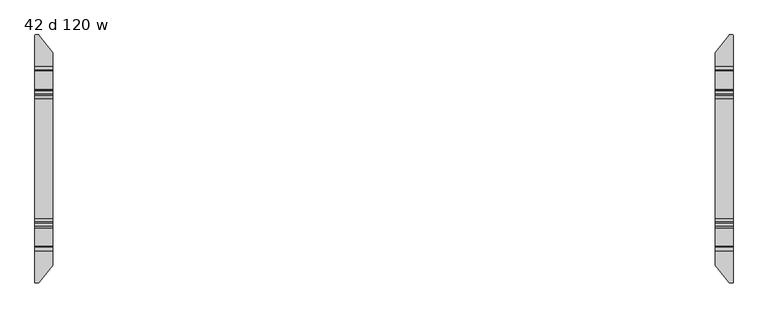
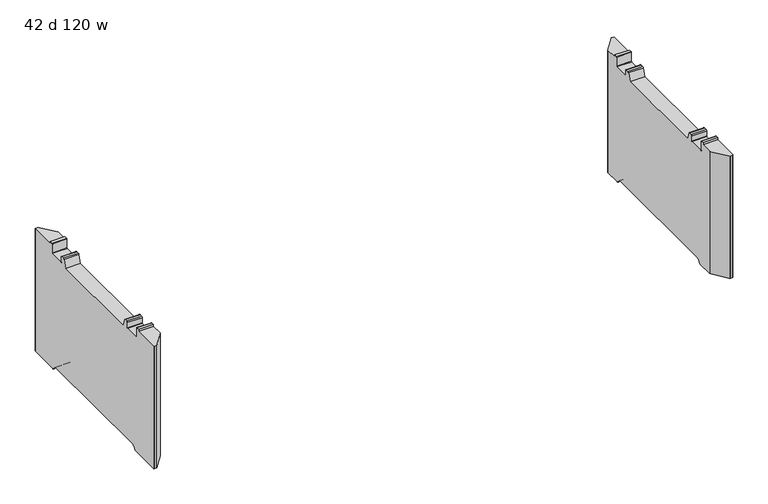
"""IFC4 building model written with IfcOpenShell, lengths in millimetres: furniture geometry, 42 d 120 w."""

import ifcopenshell
import ifcopenshell.guid

model = None  # the IFC model being written
_history = None  # IfcOwnerHistory: only IFC2X3 demands one
_inside = {}  # id of a spatial element -> (the spatial element, [elements in it])
_under = {}  # id of a project, library or spatial element -> (it, [spatial elements below it])
_declared = {}  # id of a project -> (the project, [libraries it declares])
_typed = {}  # id of a type object -> (the type object, [elements of that type])
_made_of = {}  # id of a material, layer set ... -> (it, [elements and type objects made of it])


def new_model(schema):
    """Start an empty IFC model of exactly this schema.

    Asked for "IFC4X3", IfcOpenShell would pick the latest addendum, in which some entities
    have other attributes; the version numbers below select the first issue.
    IFC2X3 requires an IfcOwnerHistory on every rooted entity: one is made here for all.
    """
    global model, _history
    if schema == "IFC4X3":
        model = ifcopenshell.file(schema_version=(4, 3, 0, 0))
    else:
        model = ifcopenshell.file(schema=schema)
    _inside.clear()
    _under.clear()
    _declared.clear()
    _typed.clear()
    _made_of.clear()
    _history = None
    if model.schema == "IFC2X3":
        org = make("IfcOrganization", Name="unknown")
        user = make(
            "IfcPersonAndOrganization",
            ThePerson=make("IfcPerson", FamilyName="unknown"),
            TheOrganization=org,
        )
        app = make(
            "IfcApplication",
            ApplicationDeveloper=org,
            Version="unknown",
            ApplicationFullName="unknown",
            ApplicationIdentifier="unknown",
        )
        _history = make(
            "IfcOwnerHistory",
            OwningUser=user,
            OwningApplication=app,
            ChangeAction="ADDED",
            CreationDate=0,
        )
    return model


def make(cls, **values):
    """One entity of the class cls with the attributes given. An attribute that is None is left unset."""
    return model.create_entity(
        cls, **{name: value for name, value in values.items() if value is not None}
    )


def rooted(cls, **values):
    """An entity with a GlobalId (a new one), such as an element, a storey or a relation."""
    return make(cls, GlobalId=ifcopenshell.guid.new(), OwnerHistory=_history, **values)


def si_unit(unit_type, name, prefix=None):
    """IfcSIUnit, for example si_unit("LENGTHUNIT", "METRE", prefix="MILLI")."""
    return make("IfcSIUnit", UnitType=unit_type, Prefix=prefix, Name=name)


def assignment(units):
    """IfcUnitAssignment: the units of a project."""
    return None if units is None else make("IfcUnitAssignment", Units=units)


def point(xyz):
    """IfcCartesianPoint."""
    return None if xyz is None else make("IfcCartesianPoint", Coordinates=xyz)


def direction(xyz):
    """IfcDirection."""
    return None if xyz is None else make("IfcDirection", DirectionRatios=xyz)


def frame(location, z_axis=None, x_axis=None):
    """IfcAxis2Placement3D, a coordinate frame: its origin and axes. An axis left out is left unset."""
    return make(
        "IfcAxis2Placement3D",
        Location=point(location),
        Axis=direction(z_axis),
        RefDirection=direction(x_axis),
    )


def origin():
    """The frame at (0, 0, 0) with its axes left unset."""
    return frame((0.0, 0.0, 0.0))


def place(relative_to, where):
    """IfcLocalPlacement: puts the frame where relative to a parent placement (None: the world)."""
    return make(
        "IfcLocalPlacement", PlacementRelTo=relative_to, RelativePlacement=where
    )


def context(
    kind, dimensions, precision=None, world=None, true_north=None, identifier=None
):
    """IfcGeometricRepresentationContext, for example the 3D "Model" context."""
    return make(
        "IfcGeometricRepresentationContext",
        ContextIdentifier=identifier,
        ContextType=kind,
        CoordinateSpaceDimension=dimensions,
        Precision=precision,
        WorldCoordinateSystem=world,
        TrueNorth=true_north,
    )


def project(units=None, contexts=None):
    """IfcProject with its units and contexts."""
    return rooted(
        "IfcProject",
        Name="project",
        RepresentationContexts=contexts,
        UnitsInContext=assignment(units),
    )


def spatial(cls, under=None, at=None, **own):
    """A site, building, storey or space (cls), placed at a placement, below another one or the project."""
    s = rooted(cls, ObjectPlacement=at, **own)
    if under is not None:
        _under.setdefault(under.id(), (under, []))[1].append(s)
    return s


def polyline(points):
    """IfcPolyline through the points."""
    return make("IfcPolyline", Points=[point(p) for p in points])


def circle_curve(where, radius):
    """IfcCircle in the frame where."""
    return make("IfcCircle", Position=where, Radius=radius)


def shape(context_of_items, identifier, shape_type, items):
    """IfcShapeRepresentation: the items that make up one representation, for example the "Body"."""
    return make(
        "IfcShapeRepresentation",
        ContextOfItems=context_of_items,
        RepresentationIdentifier=identifier,
        RepresentationType=shape_type,
        Items=items,
    )


def source(mapping_origin, context_of_items, identifier, shape_type, items):
    """IfcRepresentationMap: a shape defined once, which mapped items show again and again."""
    return make(
        "IfcRepresentationMap",
        MappingOrigin=mapping_origin,
        MappedRepresentation=shape(context_of_items, identifier, shape_type, items),
    )


def transform(
    local_origin,
    x_axis=None,
    y_axis=None,
    z_axis=None,
    scale=None,
    scale2=None,
    scale3=None,
    uniform=True,
):
    """IfcCartesianTransformationOperator3D, or its non-uniform kind. x_axis, y_axis, z_axis: its Axis1, 2, 3."""
    if uniform:
        return make(
            "IfcCartesianTransformationOperator3D",
            Axis1=direction(x_axis),
            Axis2=direction(y_axis),
            LocalOrigin=point(local_origin),
            Scale=scale,
            Axis3=direction(z_axis),
        )
    return make(
        "IfcCartesianTransformationOperator3DnonUniform",
        Axis1=direction(x_axis),
        Axis2=direction(y_axis),
        LocalOrigin=point(local_origin),
        Scale=scale,
        Axis3=direction(z_axis),
        Scale2=scale2,
        Scale3=scale3,
    )


def mapped(mapping_source, mapping_target):
    """IfcMappedItem: shows the shape of a source again, moved by a transform."""
    return make(
        "IfcMappedItem", MappingSource=mapping_source, MappingTarget=mapping_target
    )


def made_of(thing, what):
    """Note that an element or type object is made of a material, layer set ...; save() writes the relation."""
    if what is not None:
        _made_of.setdefault(what.id(), (what, []))[1].append(thing)
    return thing


def element(
    cls,
    number,
    at=None,
    inside=None,
    cuts=None,
    type_object=None,
    material=None,
    context=None,
    identifier="Body",
    shape_type=None,
    held_by="IfcProductDefinitionShape",
    body=None,
    shapes=None,
    **own,
):
    """One element of the class cls, such as IfcWall. Its Tag is "e" and its number.

    at: its placement. inside: the storey or other place that contains it. cuts: it is an
    opening in that element (IfcRelVoidsElement). A single representation is given by context,
    identifier, shape_type and body (its items); several are given by shapes. held_by: the class
    of the entity that holds the representations. save() writes the other relations.
    """
    e = rooted(cls, Tag="e%d" % number, ObjectPlacement=at, **own)
    if body is not None:
        shapes = [shape(context, identifier, shape_type, body)]
    if shapes is not None:
        e.Representation = make(held_by, Representations=shapes)
    if inside is not None:
        _inside.setdefault(inside.id(), (inside, []))[1].append(e)
    if cuts is not None:
        rooted(
            "IfcRelVoidsElement", RelatingBuildingElement=cuts, RelatedOpeningElement=e
        )
    if type_object is not None:
        _typed.setdefault(type_object.id(), (type_object, []))[1].append(e)
    return made_of(e, material)


def aggregate(whole, parts):
    """IfcRelAggregates: a whole, such as a stair, and the parts it consists of."""
    return rooted("IfcRelAggregates", RelatingObject=whole, RelatedObjects=parts)


def save(model, path):
    """Write the relations noted so far, then the file.

    IfcRelAggregates (storeys below a building ...), IfcRelContainedInSpatialStructure (elements
    in a storey), IfcRelDefinesByType, IfcRelAssociatesMaterial and IfcRelDeclares: one each for
    every whole, place, type object, material and project.
    """
    for whole, parts in _under.values():
        aggregate(whole, parts)
    for where, things in _inside.values():
        rooted(
            "IfcRelContainedInSpatialStructure",
            RelatedElements=things,
            RelatingStructure=where,
        )
    for kind, things in _typed.values():
        rooted("IfcRelDefinesByType", RelatedObjects=things, RelatingType=kind)
    for what, things in _made_of.values():
        rooted("IfcRelAssociatesMaterial", RelatedObjects=things, RelatingMaterial=what)
    for by, libraries in _declared.values():
        rooted("IfcRelDeclares", RelatingContext=by, RelatedDefinitions=libraries)
    model.write(path)


def plane_surface(at):
    """IfcPlane: the flat surface through the origin of the frame at, square to its z axis."""
    return make("IfcPlane", Position=at)


def cylinder_surface(at, radius):
    """IfcCylindricalSurface: all points at the distance radius from the z axis of the frame at."""
    return make("IfcCylindricalSurface", Position=at, Radius=radius)


def revolved_surface(curve, axis_point, axis_direction):
    """IfcSurfaceOfRevolution: the curve turned about the line through axis_point along axis_direction."""
    return make(
        "IfcSurfaceOfRevolution",
        SweptCurve=make("IfcArbitraryOpenProfileDef", ProfileType="CURVE", Curve=curve),
        AxisPosition=make("IfcAxis1Placement", Location=point(axis_point), Axis=direction(axis_direction)),
    )


def advanced_brep(points, edges, surfaces, faces):
    """IfcAdvancedBrep: a solid bounded by faces that lie on surfaces and meet in shared edges.

    An edge is (start, end): straight between two places in points (the first is 0);
    or (start, end, curve); or (start, end, curve, False) where it runs against its curve.
    A face is (place in surfaces, loops), or (place, loops, False) where it looks against
    its surface's normal. A loop lists edges by number (the first is 1), with a minus sign
    where the edge is run from its end to its start. The first loop is the outer one.
    """
    corners = [point(p) for p in points]
    vertices = [make("IfcVertexPoint", VertexGeometry=c) for c in corners]
    made = []
    for start, end, *more in edges:
        made.append(
            make(
                "IfcEdgeCurve",
                EdgeStart=vertices[start],
                EdgeEnd=vertices[end],
                EdgeGeometry=more[0] if more else make("IfcPolyline", Points=[corners[start], corners[end]]),
                SameSense=more[1] if len(more) > 1 else True,
            )
        )
    hull = []
    for where, loops, *sense in faces:
        bounds = []
        for j, loop in enumerate(loops):
            ring = [make("IfcOrientedEdge", EdgeElement=made[abs(k) - 1], Orientation=k > 0) for k in loop]
            bounds.append(
                make(
                    "IfcFaceOuterBound" if j == 0 else "IfcFaceBound",
                    Bound=make("IfcEdgeLoop", EdgeList=ring),
                    Orientation=True,
                )
            )
        hull.append(make("IfcAdvancedFace", Bounds=bounds, FaceSurface=surfaces[where], SameSense=sense[0] if sense else True))
    return make("IfcAdvancedBrep", Outer=make("IfcClosedShell", CfsFaces=hull))


def furniture_42_d_120_w_de0e84ae(model_context):
    return source(origin(), model_context, "Body", "AdvancedBrep", [
        advanced_brep(
        [(-1475.1161014, 529.956006, 12.2237497), (-1473.4757746, 529.1624669, 12.2237497), (-1414.2991168, 454.41303, 12.2237497), (-1413.7789661, 452.9179953, 12.2237497), (-1413.7789661, 371.1587399, 12.2237497), (-1489.9632694, 371.1587399, 12.2237497), (-1489.9632694, 528.3791145, 12.2237497), (-1488.3863779, 529.956006, 12.2237497), (-1413.7789661, -452.9179953, 12.2237497), (-1414.2991168, -454.41303, 12.2237497), (-1473.4757746, -529.1624669, 12.2237497), (-1475.1161014, -529.956006, 12.2237497), (-1488.3863779, -529.956006, 12.2237497), (-1489.9632694, -528.3791145, 12.2237497), (-1489.9632694, -371.1587399, 12.2237497), (-1413.7789661, -371.1587399, 12.2237497), (-1488.3863779, 529.956006, 678.1901447), (-1475.1161014, 529.956006, 678.1901447), (-1489.9632694, 528.3791145, 678.1901447), (-1489.9632694, 365.9594731, 14.3773565), (-1489.9632694, 349.4848361, 30.8519935), (-1489.9632694, 344.250421, 33.0201593), (-1489.9632694, -344.250421, 33.0201593), (-1489.9632694, -349.4848361, 30.8519935), (-1489.9632694, -365.9594731, 14.3773565), (-1489.9632694, -528.3791145, 678.1901447), (-1489.9632694, -394.3440074, 678.1901447), (-1489.9632694, -394.3440074, 689.2001558), (-1489.9632694, -378.4559965, 689.2001558), (-1489.9632694, -376.4560005, 687.2001598), (-1489.9632694, -376.4560005, 637.7251456), (-1489.9632694, -374.4560045, 635.7251495), (-1489.9632694, -296.4560008, 635.7251495), (-1489.9632694, -294.4560002, 637.7251501), (-1489.9632694, -294.4560002, 665.7251352), (-1489.9632694, -289.455942, 670.7251934), (-1489.9632694, -275.9023259, 670.7251934), (-1489.9632694, -269.935277, 666.5470192), (-1489.9632694, -255.8052798, 627.7251291), (-1489.9632694, 255.8052798, 627.7251291), (-1489.9632694, 269.935277, 666.5470192), (-1489.9632694, 275.9023259, 670.7251934), (-1489.9632694, 289.455942, 670.7251934), (-1489.9632694, 294.4560002, 665.7251352), (-1489.9632694, 294.4560002, 637.7251501), (-1489.9632694, 296.4560008, 635.7251495), (-1489.9632694, 374.4560045, 635.7251495), (-1489.9632694, 376.4560005, 637.7251456), (-1489.9632694, 376.4560005, 687.2001598), (-1489.9632694, 378.4559965, 689.2001558), (-1489.9632694, 394.3440074, 689.2001558), (-1489.9632694, 394.3440074, 678.1901447), (-1488.3863779, -529.956006, 678.1901447), (-1475.1161014, -529.956006, 678.1901447), (-1473.4757746, -529.1624669, 678.1901447), (-1414.2991168, -454.41303, 678.1901447), (-1413.7789661, -452.9179953, 678.1901447), (-1413.7789661, -365.9594731, 14.3773565), (-1413.7789661, -349.4848361, 30.8519935), (-1413.7789661, -344.250421, 33.0201593), (-1413.7789661, 344.250421, 33.0201593), (-1413.7789661, 349.4848361, 30.8519935), (-1413.7789661, 365.9594731, 14.3773565), (-1413.7789661, 452.9179953, 678.1901447), (-1413.7789661, 394.3440074, 678.1901447), (-1413.7789661, 394.3440074, 689.2001558), (-1413.7789661, 378.4559965, 689.2001558), (-1413.7789661, 376.4560005, 687.2001598), (-1413.7789661, 376.4560005, 637.7251456), (-1413.7789661, 374.4560045, 635.7251495), (-1413.7789661, 296.4560008, 635.7251495), (-1413.7789661, 294.4560002, 637.7251501), (-1413.7789661, 294.4560002, 665.7251352), (-1413.7789661, 289.455942, 670.7251934), (-1413.7789661, 275.9023259, 670.7251934), (-1413.7789661, 269.935277, 666.5470192), (-1413.7789661, 255.8052798, 627.7251291), (-1413.7789661, -255.8052798, 627.7251291), (-1413.7789661, -269.935277, 666.5470192), (-1413.7789661, -275.9023259, 670.7251934), (-1413.7789661, -289.455942, 670.7251934), (-1413.7789661, -294.4560002, 665.7251352), (-1413.7789661, -294.4560002, 637.7251501), (-1413.7789661, -296.4560008, 635.7251495), (-1413.7789661, -374.4560045, 635.7251495), (-1413.7789661, -376.4560005, 637.7251456), (-1413.7789661, -376.4560005, 687.2001598), (-1413.7789661, -378.4559965, 689.2001558), (-1413.7789661, -394.3440074, 689.2001558), (-1413.7789661, -394.3440074, 678.1901447), (-1414.2991168, 454.41303, 678.1901447), (-1473.4757746, 529.1624669, 678.1901447)],
        [
            (0, 1, circle_curve(frame((-1475.1161014, 527.8638745, 12.2237497), z_axis=(0.0, 0.0, -1.0), x_axis=(-1.0, 0.0, 0.0)), 2.0921315)),
            (1, 2),
            (2, 3, circle_curve(frame((-1416.187581, 452.9179953, 12.2237497), z_axis=(0.0, 0.0, -1.0), x_axis=(-1.0, 0.0, 0.0)), 2.4086149)),
            (3, 4),
            (4, 5),
            (5, 6),
            (6, 7, circle_curve(frame((-1488.3863779, 528.3791145, 12.2237497), z_axis=(0.0, 0.0, -1.0), x_axis=(-1.0, 0.0, 0.0)), 1.5768915)),
            (7, 0),
            (8, 9, circle_curve(frame((-1416.187581, -452.9179953, 12.2237497), z_axis=(0.0, 0.0, -1.0), x_axis=(-1.0, 0.0, 0.0)), 2.4086149)),
            (9, 10),
            (10, 11, circle_curve(frame((-1475.1161014, -527.8638745, 12.2237497), z_axis=(0.0, 0.0, -1.0), x_axis=(-1.0, 0.0, 0.0)), 2.0921315)),
            (11, 12),
            (12, 13, circle_curve(frame((-1488.3863779, -528.3791145, 12.2237497), z_axis=(0.0, 0.0, -1.0), x_axis=(-1.0, 0.0, 0.0)), 1.5768915)),
            (13, 14),
            (14, 15),
            (15, 8),
            (7, 16),
            (16, 17),
            (17, 0),
            (6, 18),
            (18, 16, circle_curve(frame((-1488.3863779, 528.3791145, 678.1901447), z_axis=(0.0, 0.0, -1.0), x_axis=(-1.0, 0.0, 0.0)), 1.5768915)),
            (5, 19, circle_curve(frame((-1489.9632694, 371.1587399, 19.5766232), z_axis=(-1.0, 0.0, 0.0), x_axis=(0.0, -1.0, 0.0)), 7.3528735)),
            (19, 20),
            (20, 21, circle_curve(frame((-1489.9632694, 344.250421, 25.6175784), z_axis=(1.0, 0.0, 0.0), x_axis=(0.0, -1.0, 0.0)), 7.4025809)),
            (21, 22),
            (22, 23, circle_curve(frame((-1489.9632694, -344.250421, 25.6175784), z_axis=(1.0, 0.0, 0.0), x_axis=(0.0, -1.0, 0.0)), 7.4025809)),
            (23, 24),
            (24, 14, circle_curve(frame((-1489.9632694, -371.1587399, 19.5766232), z_axis=(-1.0, 0.0, 0.0), x_axis=(0.0, -1.0, 0.0)), 7.3528735)),
            (13, 25),
            (25, 26),
            (26, 27),
            (27, 28),
            (28, 29, circle_curve(frame((-1489.9632694, -378.4559965, 687.2001598), z_axis=(-1.0, 0.0, 0.0), x_axis=(0.0, -1.0, 0.0)), 1.999996)),
            (29, 30),
            (30, 31, circle_curve(frame((-1489.9632694, -374.4560045, 637.7251456), z_axis=(1.0, 0.0, 0.0), x_axis=(0.0, -1.0, 0.0)), 1.999996)),
            (31, 32),
            (32, 33, circle_curve(frame((-1489.9632694, -296.4560008, 637.7251501), z_axis=(1.0, 0.0, 0.0), x_axis=(0.0, -1.0, 0.0)), 2.0000006)),
            (33, 34),
            (34, 35, circle_curve(frame((-1489.9632694, -289.455942, 665.7251352), z_axis=(-1.0, 0.0, 0.0), x_axis=(0.0, -1.0, 0.0)), 5.0000582)),
            (35, 36),
            (36, 37, circle_curve(frame((-1489.9632694, -275.9023259, 664.3751934), z_axis=(-1.0, 0.0, 0.0), x_axis=(0.0, -1.0, 0.0)), 6.35)),
            (37, 38),
            (38, 39),
            (39, 40),
            (40, 41, circle_curve(frame((-1489.9632694, 275.9023259, 664.3751934), z_axis=(-1.0, 0.0, 0.0), x_axis=(0.0, -1.0, 0.0)), 6.35)),
            (41, 42),
            (42, 43, circle_curve(frame((-1489.9632694, 289.455942, 665.7251352), z_axis=(-1.0, 0.0, 0.0), x_axis=(0.0, -1.0, 0.0)), 5.0000582)),
            (43, 44),
            (44, 45, circle_curve(frame((-1489.9632694, 296.4560008, 637.7251501), z_axis=(1.0, 0.0, 0.0), x_axis=(0.0, -1.0, 0.0)), 2.0000006)),
            (45, 46),
            (46, 47, circle_curve(frame((-1489.9632694, 374.4560045, 637.7251456), z_axis=(1.0, 0.0, 0.0), x_axis=(0.0, -1.0, 0.0)), 1.999996)),
            (47, 48),
            (48, 49, circle_curve(frame((-1489.9632694, 378.4559965, 687.2001598), z_axis=(-1.0, 0.0, 0.0), x_axis=(0.0, -1.0, 0.0)), 1.999996)),
            (49, 50),
            (50, 51),
            (51, 18),
            (12, 52),
            (52, 25, circle_curve(frame((-1488.3863779, -528.3791145, 678.1901447), z_axis=(0.0, 0.0, -1.0), x_axis=(-1.0, 0.0, 0.0)), 1.5768915)),
            (11, 53),
            (53, 52),
            (10, 54),
            (54, 53, circle_curve(frame((-1475.1161014, -527.8638745, 678.1901447), z_axis=(0.0, 0.0, -1.0), x_axis=(-1.0, 0.0, 0.0)), 2.0921315)),
            (9, 55),
            (55, 54),
            (8, 56),
            (56, 55, circle_curve(frame((-1416.187581, -452.9179953, 678.1901447), z_axis=(0.0, 0.0, -1.0), x_axis=(-1.0, 0.0, 0.0)), 2.4086149)),
            (15, 57, circle_curve(frame((-1413.7789661, -371.1587399, 19.5766232), z_axis=(1.0, 0.0, 0.0), x_axis=(0.0, -1.0, 0.0)), 7.3528735)),
            (57, 58),
            (58, 59, circle_curve(frame((-1413.7789661, -344.250421, 25.6175784), z_axis=(-1.0, 0.0, 0.0), x_axis=(0.0, -1.0, 0.0)), 7.4025809)),
            (59, 60),
            (60, 61, circle_curve(frame((-1413.7789661, 344.250421, 25.6175784), z_axis=(-1.0, 0.0, 0.0), x_axis=(0.0, -1.0, 0.0)), 7.4025809)),
            (61, 62),
            (62, 4, circle_curve(frame((-1413.7789661, 371.1587399, 19.5766232), z_axis=(1.0, 0.0, 0.0), x_axis=(0.0, -1.0, 0.0)), 7.3528735)),
            (3, 63),
            (63, 64),
            (64, 65),
            (65, 66),
            (66, 67, circle_curve(frame((-1413.7789661, 378.4559965, 687.2001598), z_axis=(1.0, 0.0, 0.0), x_axis=(0.0, -1.0, 0.0)), 1.999996)),
            (67, 68),
            (68, 69, circle_curve(frame((-1413.7789661, 374.4560045, 637.7251456), z_axis=(-1.0, 0.0, 0.0), x_axis=(0.0, -1.0, 0.0)), 1.999996)),
            (69, 70),
            (70, 71, circle_curve(frame((-1413.7789661, 296.4560008, 637.7251501), z_axis=(-1.0, 0.0, 0.0), x_axis=(0.0, -1.0, 0.0)), 2.0000006)),
            (71, 72),
            (72, 73, circle_curve(frame((-1413.7789661, 289.455942, 665.7251352), z_axis=(1.0, 0.0, 0.0), x_axis=(0.0, -1.0, 0.0)), 5.0000582)),
            (73, 74),
            (74, 75, circle_curve(frame((-1413.7789661, 275.9023259, 664.3751934), z_axis=(1.0, 0.0, 0.0), x_axis=(0.0, -1.0, 0.0)), 6.35)),
            (75, 76),
            (76, 77),
            (77, 78),
            (78, 79, circle_curve(frame((-1413.7789661, -275.9023259, 664.3751934), z_axis=(1.0, 0.0, 0.0), x_axis=(0.0, -1.0, 0.0)), 6.35)),
            (79, 80),
            (80, 81, circle_curve(frame((-1413.7789661, -289.455942, 665.7251352), z_axis=(1.0, 0.0, 0.0), x_axis=(0.0, -1.0, 0.0)), 5.0000582)),
            (81, 82),
            (82, 83, circle_curve(frame((-1413.7789661, -296.4560008, 637.7251501), z_axis=(-1.0, 0.0, 0.0), x_axis=(0.0, -1.0, 0.0)), 2.0000006)),
            (83, 84),
            (84, 85, circle_curve(frame((-1413.7789661, -374.4560045, 637.7251456), z_axis=(-1.0, 0.0, 0.0), x_axis=(0.0, -1.0, 0.0)), 1.999996)),
            (85, 86),
            (86, 87, circle_curve(frame((-1413.7789661, -378.4559965, 687.2001598), z_axis=(1.0, 0.0, 0.0), x_axis=(0.0, -1.0, 0.0)), 1.999996)),
            (87, 88),
            (88, 89),
            (89, 56),
            (2, 90),
            (90, 63, circle_curve(frame((-1416.187581, 452.9179953, 678.1901447), z_axis=(0.0, 0.0, -1.0), x_axis=(-1.0, 0.0, 0.0)), 2.4086149)),
            (1, 91),
            (91, 90),
            (17, 91, circle_curve(frame((-1475.1161014, 527.8638745, 678.1901447), z_axis=(0.0, 0.0, -1.0), x_axis=(-1.0, 0.0, 0.0)), 2.0921315)),
            (50, 65),
            (64, 51),
            (89, 26),
            (88, 27),
            (87, 28),
            (86, 29),
            (85, 30),
            (84, 31),
            (83, 32),
            (82, 33),
            (81, 34),
            (80, 35),
            (79, 36),
            (78, 37),
            (77, 38),
            (76, 39),
            (75, 40),
            (74, 41),
            (73, 42),
            (72, 43),
            (71, 44),
            (70, 45),
            (69, 46),
            (68, 47),
            (67, 48),
            (66, 49),
            (19, 62),
            (61, 20),
            (60, 21),
            (59, 22),
            (58, 23),
            (57, 24),
        ],
        [
            plane_surface(frame((-1488.3863779, 529.956006, 12.2237497), z_axis=(0.0, 0.0, -1.0), x_axis=(1.0, 0.0, 0.0))),
            plane_surface(frame((-1475.1161014, 529.956006, 694.3344355), z_axis=(0.0, 1.0, 0.0), x_axis=(0.0, 0.0, -1.0))),
            cylinder_surface(frame((-1488.3863779, 528.3791145, 12.2237497), z_axis=(0.0, 0.0, 1.0), x_axis=(-1.0, 0.0, 0.0)), 1.5768915),
            plane_surface(frame((-1489.9632694, 528.3791145, 694.3344355), z_axis=(-1.0, 0.0, 0.0), x_axis=(0.0, 0.0, -1.0))),
            cylinder_surface(frame((-1488.3863779, -528.3791145, 12.2237497), z_axis=(0.0, 0.0, 1.0), x_axis=(-1.0, 0.0, 0.0)), 1.5768915),
            plane_surface(frame((-1488.3863779, -529.956006, 694.3344355), z_axis=(0.0, -1.0, 0.0), x_axis=(0.0, 0.0, -1.0))),
            cylinder_surface(frame((-1475.1161014, -527.8638745, 12.2237497), z_axis=(0.0, 0.0, 1.0), x_axis=(-1.0, 0.0, 0.0)), 2.0921315),
            plane_surface(frame((-1473.4757746, -529.1624669, 694.3344355), z_axis=(0.7840457211746543, -0.6207030748334635, 0.0), x_axis=(0.0, 0.0, -1.0))),
            cylinder_surface(frame((-1416.187581, -452.9179953, 12.2237497), z_axis=(0.0, 0.0, 1.0), x_axis=(-1.0, 0.0, 0.0)), 2.4086149),
            plane_surface(frame((-1413.7789661, -452.9179953, 694.3344355), z_axis=(1.0, 0.0, 0.0), x_axis=(0.0, 0.0, -1.0))),
            cylinder_surface(frame((-1416.187581, 452.9179953, 12.2237497), z_axis=(0.0, 0.0, 1.0), x_axis=(-1.0, 0.0, 0.0)), 2.4086149),
            plane_surface(frame((-1414.2991168, 454.41303, 694.3344355), z_axis=(0.7840457211746508, 0.6207030748334681, 0.0), x_axis=(0.0, 0.0, -1.0))),
            cylinder_surface(frame((-1475.1161014, 527.8638745, 12.2237497), z_axis=(0.0, 0.0, 1.0), x_axis=(-1.0, 0.0, 0.0)), 2.0921315),
            plane_surface(frame((1489.9632694, 394.3440074, 689.2001558), z_axis=(0.0, 1.0, 0.0), x_axis=(-1.0, 0.0, 0.0))),
            plane_surface(frame((1489.9632694, 394.3440074, 678.1901447), z_axis=(0.0, 0.0, 1.0), x_axis=(-1.0, 0.0, 0.0))),
            plane_surface(frame((1489.9632694, -531.3440027, 678.1901447), z_axis=(0.0, 0.0, 1.0), x_axis=(-1.0, 0.0, 0.0))),
            plane_surface(frame((1489.9632694, -394.3440074, 678.1901447), z_axis=(0.0, -1.0, 0.0), x_axis=(-1.0, 0.0, 0.0))),
            plane_surface(frame((1489.9632694, -394.3440074, 689.2001558), z_axis=(0.0, 0.0, 1.0), x_axis=(-1.0, 0.0, 0.0))),
            cylinder_surface(frame((1489.9632694, -378.4559965, 687.2001598), z_axis=(-1.0, 0.0, 0.0), x_axis=(0.0, -1.0, 0.0)), 1.999996),
            plane_surface(frame((1489.9632694, -376.4560005, 687.2001598), z_axis=(0.0, 1.0, 0.0), x_axis=(-1.0, 0.0, 0.0))),
            revolved_surface(polyline([(-1413.7789661, -376.4560005, 637.7251456), (-1489.9632694, -376.4560005, 637.7251456)]), (1489.9632694, -374.4560045, 637.7251456), (1.0, 0.0, 0.0)),
            plane_surface(frame((1489.9632694, -374.4560045, 635.7251495), z_axis=(0.0, 0.0, 1.0), x_axis=(-1.0, 0.0, 0.0))),
            revolved_surface(polyline([(-1413.7789661, -298.45600140000005, 637.7251501), (-1489.9632694, -298.45600140000005, 637.7251501)]), (1489.9632694, -296.4560008, 637.7251501), (1.0, 0.0, 0.0)),
            plane_surface(frame((1489.9632694, -294.4560002, 637.7251501), z_axis=(0.0, -1.0, 0.0), x_axis=(-1.0, 0.0, 0.0))),
            cylinder_surface(frame((1489.9632694, -289.455942, 665.7251352), z_axis=(-1.0, 0.0, 0.0), x_axis=(0.0, -1.0, 0.0)), 5.0000582),
            plane_surface(frame((1489.9632694, -289.455942, 670.7251934), z_axis=(0.0, 0.0, 1.0), x_axis=(-1.0, 0.0, 0.0))),
            cylinder_surface(frame((1489.9632694, -275.9023259, 664.3751934), z_axis=(-1.0, 0.0, 0.0), x_axis=(0.0, -1.0, 0.0)), 6.35),
            plane_surface(frame((1489.9632694, -269.935277, 666.5470192), z_axis=(0.0, 0.9396927394269929, 0.34201981736179204), x_axis=(-1.0, 0.0, 0.0))),
            plane_surface(frame((1489.9632694, -255.8052798, 627.7251291), z_axis=(0.0, 0.0, 1.0), x_axis=(-1.0, 0.0, 0.0))),
            plane_surface(frame((1489.9632694, 255.8052798, 627.7251291), z_axis=(0.0, -0.9396927394269924, 0.3420198173617935), x_axis=(-1.0, 0.0, 0.0))),
            cylinder_surface(frame((1489.9632694, 275.9023259, 664.3751934), z_axis=(-1.0, 0.0, 0.0), x_axis=(0.0, -1.0, 0.0)), 6.35),
            plane_surface(frame((1489.9632694, 275.9023259, 670.7251934), z_axis=(0.0, 0.0, 1.0), x_axis=(-1.0, 0.0, 0.0))),
            cylinder_surface(frame((1489.9632694, 289.455942, 665.7251352), z_axis=(-1.0, 0.0, 0.0), x_axis=(0.0, -1.0, 0.0)), 5.0000582),
            plane_surface(frame((1489.9632694, 294.4560002, 665.7251352), z_axis=(0.0, 1.0, 0.0), x_axis=(-1.0, 0.0, 0.0))),
            revolved_surface(polyline([(-1413.7789661, 294.4560002, 637.7251501), (-1489.9632694, 294.4560002, 637.7251501)]), (1489.9632694, 296.4560008, 637.7251501), (1.0, 0.0, 0.0)),
            plane_surface(frame((1489.9632694, 296.4560008, 635.7251495), z_axis=(0.0, 0.0, 1.0), x_axis=(-1.0, 0.0, 0.0))),
            revolved_surface(polyline([(-1413.7789661, 372.4560085, 637.7251456), (-1489.9632694, 372.4560085, 637.7251456)]), (1489.9632694, 374.4560045, 637.7251456), (1.0, 0.0, 0.0)),
            plane_surface(frame((1489.9632694, 376.4560005, 637.7251456), z_axis=(0.0, -1.0, 0.0), x_axis=(-1.0, 0.0, 0.0))),
            cylinder_surface(frame((1489.9632694, 378.4559965, 687.2001598), z_axis=(-1.0, 0.0, 0.0), x_axis=(0.0, -1.0, 0.0)), 1.999996),
            plane_surface(frame((1489.9632694, 378.4559965, 689.2001558), z_axis=(0.0, 0.0, 1.0), x_axis=(-1.0, 0.0, 0.0))),
            plane_surface(frame((1489.9632694, 365.9594731, 14.3773565), z_axis=(0.0, -0.7071067811865475, -0.7071067811865476), x_axis=(-1.0, 0.0, 0.0))),
            revolved_surface(polyline([(-1413.7789661, 336.84784010000004, 25.6175784), (-1489.9632694, 336.84784010000004, 25.6175784)]), (1489.9632694, 344.250421, 25.6175784), (1.0, 0.0, 0.0)),
            plane_surface(frame((1489.9632694, 344.250421, 33.0201593), z_axis=(0.0, 0.0, -1.0), x_axis=(-1.0, 0.0, 0.0))),
            revolved_surface(polyline([(-1413.7789661, -351.6530019, 25.6175784), (-1489.9632694, -351.6530019, 25.6175784)]), (1489.9632694, -344.250421, 25.6175784), (1.0, 0.0, 0.0)),
            plane_surface(frame((1489.9632694, -349.4848361, 30.8519935), z_axis=(0.0, 0.7071067811865452, -0.7071067811865499), x_axis=(-1.0, 0.0, 0.0))),
            cylinder_surface(frame((1489.9632694, -371.1587399, 19.5766232), z_axis=(-1.0, 0.0, 0.0), x_axis=(0.0, -1.0, 0.0)), 7.3528735),
            cylinder_surface(frame((1489.9632694, 371.1587399, 19.5766232), z_axis=(-1.0, 0.0, 0.0), x_axis=(0.0, -1.0, 0.0)), 7.3528735),
        ],
        [
            (0, [[1, 2, 3, 4, 5, 6, 7, 8]]),
            (0, [[9, 10, 11, 12, 13, 14, 15, 16]]),
            (1, [[-8, 17, 18, 19]]),
            (2, [[-7, 20, 21, -17]]),
            (3, [[-20, -6, 22, 23, 24, 25, 26, 27, 28, -14, 29, 30, 31, 32, 33, 34, 35, 36, 37, 38, 39, 40, 41, 42, 43, 44, 45, 46, 47, 48, 49, 50, 51, 52, 53, 54, 55, 56]]),
            (4, [[-13, 57, 58, -29]]),
            (5, [[-12, 59, 60, -57]]),
            (6, [[-11, 61, 62, -59]]),
            (7, [[-10, 63, 64, -61]]),
            (8, [[-9, 65, 66, -63]]),
            (9, [[-65, -16, 67, 68, 69, 70, 71, 72, 73, -4, 74, 75, 76, 77, 78, 79, 80, 81, 82, 83, 84, 85, 86, 87, 88, 89, 90, 91, 92, 93, 94, 95, 96, 97, 98, 99, 100, 101]]),
            (10, [[-3, 102, 103, -74]]),
            (11, [[-2, 104, 105, -102]]),
            (12, [[-1, -19, 106, -104]]),
            (13, [[107, -76, 108, -55]]),
            (14, [[-108, -75, -103, -105, -106, -18, -21, -56]]),
            (15, [[109, -30, -58, -60, -62, -64, -66, -101]]),
            (16, [[-109, -100, 110, -31]]),
            (17, [[-110, -99, 111, -32]]),
            (18, [[-111, -98, 112, -33]]),
            (19, [[-112, -97, 113, -34]]),
            (20, [[-113, -96, 114, -35]]),
            (21, [[-114, -95, 115, -36]]),
            (22, [[-115, -94, 116, -37]]),
            (23, [[-116, -93, 117, -38]]),
            (24, [[-117, -92, 118, -39]]),
            (25, [[-118, -91, 119, -40]]),
            (26, [[-119, -90, 120, -41]]),
            (27, [[-120, -89, 121, -42]]),
            (28, [[-121, -88, 122, -43]]),
            (29, [[-122, -87, 123, -44]]),
            (30, [[-123, -86, 124, -45]]),
            (31, [[-124, -85, 125, -46]]),
            (32, [[-125, -84, 126, -47]]),
            (33, [[-126, -83, 127, -48]]),
            (34, [[-127, -82, 128, -49]]),
            (35, [[-128, -81, 129, -50]]),
            (36, [[-129, -80, 130, -51]]),
            (37, [[-130, -79, 131, -52]]),
            (38, [[-131, -78, 132, -53]]),
            (39, [[-107, -54, -132, -77]]),
            (40, [[133, -72, 134, -23]]),
            (41, [[-134, -71, 135, -24]]),
            (42, [[-135, -70, 136, -25]]),
            (43, [[-136, -69, 137, -26]]),
            (44, [[-137, -68, 138, -27]]),
            (45, [[-138, -67, -15, -28]]),
            (46, [[-133, -22, -5, -73]]),
        ],
    ),
        advanced_brep(
        [(1475.1161014, 529.956006, 12.2237497), (1488.3863779, 529.956006, 12.2237497), (1489.9632694, 528.3791145, 12.2237497), (1489.9632694, 371.1587399, 12.2237497), (1413.7789661, 371.1587399, 12.2237497), (1413.7789661, 452.9179953, 12.2237497), (1414.2991168, 454.41303, 12.2237497), (1473.4757746, 529.1624669, 12.2237497), (1489.9632694, -528.3791145, 12.2237497), (1488.3863779, -529.956006, 12.2237497), (1475.1161014, -529.956006, 12.2237497), (1473.4757746, -529.1624669, 12.2237497), (1414.2991168, -454.41303, 12.2237497), (1413.7789661, -452.9179953, 12.2237497), (1413.7789661, -371.1587399, 12.2237497), (1489.9632694, -371.1587399, 12.2237497), (1473.4757746, 529.1624669, 678.1901447), (1475.1161014, 529.956006, 678.1901447), (1414.2991168, 454.41303, 678.1901447), (1413.7789661, 452.9179953, 678.1901447), (1413.7789661, 365.9594731, 14.3773565), (1413.7789661, 349.4848361, 30.8519935), (1413.7789661, 344.250421, 33.0201593), (1413.7789661, -344.250421, 33.0201593), (1413.7789661, -349.4848361, 30.8519935), (1413.7789661, -365.9594731, 14.3773565), (1413.7789661, -452.9179953, 678.1901447), (1413.7789661, -394.3440074, 678.1901447), (1413.7789661, -394.3440074, 689.2001558), (1413.7789661, -378.4559965, 689.2001558), (1413.7789661, -376.4560005, 687.2001598), (1413.7789661, -376.4560005, 637.7251456), (1413.7789661, -374.4560045, 635.7251495), (1413.7789661, -296.4560008, 635.7251495), (1413.7789661, -294.4560002, 637.7251501), (1413.7789661, -294.4560002, 665.7251352), (1413.7789661, -289.455942, 670.7251934), (1413.7789661, -275.9023259, 670.7251934), (1413.7789661, -269.935277, 666.5470192), (1413.7789661, -255.8052798, 627.7251291), (1413.7789661, 255.8052798, 627.7251291), (1413.7789661, 269.935277, 666.5470192), (1413.7789661, 275.9023259, 670.7251934), (1413.7789661, 289.455942, 670.7251934), (1413.7789661, 294.4560002, 665.7251352), (1413.7789661, 294.4560002, 637.7251501), (1413.7789661, 296.4560008, 635.7251495), (1413.7789661, 374.4560045, 635.7251495), (1413.7789661, 376.4560005, 637.7251456), (1413.7789661, 376.4560005, 687.2001598), (1413.7789661, 378.4559965, 689.2001558), (1413.7789661, 394.3440074, 689.2001558), (1413.7789661, 394.3440074, 678.1901447), (1414.2991168, -454.41303, 678.1901447), (1473.4757746, -529.1624669, 678.1901447), (1475.1161014, -529.956006, 678.1901447), (1488.3863779, -529.956006, 678.1901447), (1489.9632694, -528.3791145, 678.1901447), (1489.9632694, -365.9594731, 14.3773565), (1489.9632694, -349.4848361, 30.8519935), (1489.9632694, -344.250421, 33.0201593), (1489.9632694, 344.250421, 33.0201593), (1489.9632694, 349.4848361, 30.8519935), (1489.9632694, 365.9594731, 14.3773565), (1489.9632694, 528.3791145, 678.1901447), (1489.9632694, 394.3440074, 678.1901447), (1489.9632694, 394.3440074, 689.2001558), (1489.9632694, 378.4559965, 689.2001558), (1489.9632694, 376.4560005, 687.2001598), (1489.9632694, 376.4560005, 637.7251456), (1489.9632694, 374.4560045, 635.7251495), (1489.9632694, 296.4560008, 635.7251495), (1489.9632694, 294.4560002, 637.7251501), (1489.9632694, 294.4560002, 665.7251352), (1489.9632694, 289.455942, 670.7251934), (1489.9632694, 275.9023259, 670.7251934), (1489.9632694, 269.935277, 666.5470192), (1489.9632694, 255.8052798, 627.7251291), (1489.9632694, -255.8052798, 627.7251291), (1489.9632694, -269.935277, 666.5470192), (1489.9632694, -275.9023259, 670.7251934), (1489.9632694, -289.455942, 670.7251934), (1489.9632694, -294.4560002, 665.7251352), (1489.9632694, -294.4560002, 637.7251501), (1489.9632694, -296.4560008, 635.7251495), (1489.9632694, -374.4560045, 635.7251495), (1489.9632694, -376.4560005, 637.7251456), (1489.9632694, -376.4560005, 687.2001598), (1489.9632694, -378.4559965, 689.2001558), (1489.9632694, -394.3440074, 689.2001558), (1489.9632694, -394.3440074, 678.1901447), (1488.3863779, 529.956006, 678.1901447)],
        [
            (0, 1),
            (1, 2, circle_curve(frame((1488.3863779, 528.3791145, 12.2237497), z_axis=(0.0, 0.0, -1.0), x_axis=(-1.0, 0.0, 0.0)), 1.5768915)),
            (2, 3),
            (3, 4),
            (4, 5),
            (5, 6, circle_curve(frame((1416.187581, 452.9179953, 12.2237497), z_axis=(0.0, 0.0, -1.0), x_axis=(-1.0, 0.0, 0.0)), 2.4086149)),
            (6, 7),
            (7, 0, circle_curve(frame((1475.1161014, 527.8638745, 12.2237497), z_axis=(0.0, 0.0, -1.0), x_axis=(-1.0, 0.0, 0.0)), 2.0921315)),
            (8, 9, circle_curve(frame((1488.3863779, -528.3791145, 12.2237497), z_axis=(0.0, 0.0, -1.0), x_axis=(-1.0, 0.0, 0.0)), 1.5768915)),
            (9, 10),
            (10, 11, circle_curve(frame((1475.1161014, -527.8638745, 12.2237497), z_axis=(0.0, 0.0, -1.0), x_axis=(-1.0, 0.0, 0.0)), 2.0921315)),
            (11, 12),
            (12, 13, circle_curve(frame((1416.187581, -452.9179953, 12.2237497), z_axis=(0.0, 0.0, -1.0), x_axis=(-1.0, 0.0, 0.0)), 2.4086149)),
            (13, 14),
            (14, 15),
            (15, 8),
            (7, 16),
            (16, 17, circle_curve(frame((1475.1161014, 527.8638745, 678.1901447), z_axis=(0.0, 0.0, -1.0), x_axis=(-1.0, 0.0, 0.0)), 2.0921315)),
            (17, 0),
            (6, 18),
            (18, 16),
            (5, 19),
            (19, 18, circle_curve(frame((1416.187581, 452.9179953, 678.1901447), z_axis=(0.0, 0.0, -1.0), x_axis=(-1.0, 0.0, 0.0)), 2.4086149)),
            (4, 20, circle_curve(frame((1413.7789661, 371.1587399, 19.5766232), z_axis=(-1.0, 0.0, 0.0), x_axis=(0.0, -1.0, 0.0)), 7.3528735)),
            (20, 21),
            (21, 22, circle_curve(frame((1413.7789661, 344.250421, 25.6175784), z_axis=(1.0, 0.0, 0.0), x_axis=(0.0, -1.0, 0.0)), 7.4025809)),
            (22, 23),
            (23, 24, circle_curve(frame((1413.7789661, -344.250421, 25.6175784), z_axis=(1.0, 0.0, 0.0), x_axis=(0.0, -1.0, 0.0)), 7.4025809)),
            (24, 25),
            (25, 14, circle_curve(frame((1413.7789661, -371.1587399, 19.5766232), z_axis=(-1.0, 0.0, 0.0), x_axis=(0.0, -1.0, 0.0)), 7.3528735)),
            (13, 26),
            (26, 27),
            (27, 28),
            (28, 29),
            (29, 30, circle_curve(frame((1413.7789661, -378.4559965, 687.2001598), z_axis=(-1.0, 0.0, 0.0), x_axis=(0.0, -1.0, 0.0)), 1.999996)),
            (30, 31),
            (31, 32, circle_curve(frame((1413.7789661, -374.4560045, 637.7251456), z_axis=(1.0, 0.0, 0.0), x_axis=(0.0, -1.0, 0.0)), 1.999996)),
            (32, 33),
            (33, 34, circle_curve(frame((1413.7789661, -296.4560008, 637.7251501), z_axis=(1.0, 0.0, 0.0), x_axis=(0.0, -1.0, 0.0)), 2.0000006)),
            (34, 35),
            (35, 36, circle_curve(frame((1413.7789661, -289.455942, 665.7251352), z_axis=(-1.0, 0.0, 0.0), x_axis=(0.0, -1.0, 0.0)), 5.0000582)),
            (36, 37),
            (37, 38, circle_curve(frame((1413.7789661, -275.9023259, 664.3751934), z_axis=(-1.0, 0.0, 0.0), x_axis=(0.0, -1.0, 0.0)), 6.35)),
            (38, 39),
            (39, 40),
            (40, 41),
            (41, 42, circle_curve(frame((1413.7789661, 275.9023259, 664.3751934), z_axis=(-1.0, 0.0, 0.0), x_axis=(0.0, -1.0, 0.0)), 6.35)),
            (42, 43),
            (43, 44, circle_curve(frame((1413.7789661, 289.455942, 665.7251352), z_axis=(-1.0, 0.0, 0.0), x_axis=(0.0, -1.0, 0.0)), 5.0000582)),
            (44, 45),
            (45, 46, circle_curve(frame((1413.7789661, 296.4560008, 637.7251501), z_axis=(1.0, 0.0, 0.0), x_axis=(0.0, -1.0, 0.0)), 2.0000006)),
            (46, 47),
            (47, 48, circle_curve(frame((1413.7789661, 374.4560045, 637.7251456), z_axis=(1.0, 0.0, 0.0), x_axis=(0.0, -1.0, 0.0)), 1.999996)),
            (48, 49),
            (49, 50, circle_curve(frame((1413.7789661, 378.4559965, 687.2001598), z_axis=(-1.0, 0.0, 0.0), x_axis=(0.0, -1.0, 0.0)), 1.999996)),
            (50, 51),
            (51, 52),
            (52, 19),
            (12, 53),
            (53, 26, circle_curve(frame((1416.187581, -452.9179953, 678.1901447), z_axis=(0.0, 0.0, -1.0), x_axis=(-1.0, 0.0, 0.0)), 2.4086149)),
            (11, 54),
            (54, 53),
            (10, 55),
            (55, 54, circle_curve(frame((1475.1161014, -527.8638745, 678.1901447), z_axis=(0.0, 0.0, -1.0), x_axis=(-1.0, 0.0, 0.0)), 2.0921315)),
            (9, 56),
            (56, 55),
            (8, 57),
            (57, 56, circle_curve(frame((1488.3863779, -528.3791145, 678.1901447), z_axis=(0.0, 0.0, -1.0), x_axis=(-1.0, 0.0, 0.0)), 1.5768915)),
            (15, 58, circle_curve(frame((1489.9632694, -371.1587399, 19.5766232), z_axis=(1.0, 0.0, 0.0), x_axis=(0.0, -1.0, 0.0)), 7.3528735)),
            (58, 59),
            (59, 60, circle_curve(frame((1489.9632694, -344.250421, 25.6175784), z_axis=(-1.0, 0.0, 0.0), x_axis=(0.0, -1.0, 0.0)), 7.4025809)),
            (60, 61),
            (61, 62, circle_curve(frame((1489.9632694, 344.250421, 25.6175784), z_axis=(-1.0, 0.0, 0.0), x_axis=(0.0, -1.0, 0.0)), 7.4025809)),
            (62, 63),
            (63, 3, circle_curve(frame((1489.9632694, 371.1587399, 19.5766232), z_axis=(1.0, 0.0, 0.0), x_axis=(0.0, -1.0, 0.0)), 7.3528735)),
            (2, 64),
            (64, 65),
            (65, 66),
            (66, 67),
            (67, 68, circle_curve(frame((1489.9632694, 378.4559965, 687.2001598), z_axis=(1.0, 0.0, 0.0), x_axis=(0.0, -1.0, 0.0)), 1.999996)),
            (68, 69),
            (69, 70, circle_curve(frame((1489.9632694, 374.4560045, 637.7251456), z_axis=(-1.0, 0.0, 0.0), x_axis=(0.0, -1.0, 0.0)), 1.999996)),
            (70, 71),
            (71, 72, circle_curve(frame((1489.9632694, 296.4560008, 637.7251501), z_axis=(-1.0, 0.0, 0.0), x_axis=(0.0, -1.0, 0.0)), 2.0000006)),
            (72, 73),
            (73, 74, circle_curve(frame((1489.9632694, 289.455942, 665.7251352), z_axis=(1.0, 0.0, 0.0), x_axis=(0.0, -1.0, 0.0)), 5.0000582)),
            (74, 75),
            (75, 76, circle_curve(frame((1489.9632694, 275.9023259, 664.3751934), z_axis=(1.0, 0.0, 0.0), x_axis=(0.0, -1.0, 0.0)), 6.35)),
            (76, 77),
            (77, 78),
            (78, 79),
            (79, 80, circle_curve(frame((1489.9632694, -275.9023259, 664.3751934), z_axis=(1.0, 0.0, 0.0), x_axis=(0.0, -1.0, 0.0)), 6.35)),
            (80, 81),
            (81, 82, circle_curve(frame((1489.9632694, -289.455942, 665.7251352), z_axis=(1.0, 0.0, 0.0), x_axis=(0.0, -1.0, 0.0)), 5.0000582)),
            (82, 83),
            (83, 84, circle_curve(frame((1489.9632694, -296.4560008, 637.7251501), z_axis=(-1.0, 0.0, 0.0), x_axis=(0.0, -1.0, 0.0)), 2.0000006)),
            (84, 85),
            (85, 86, circle_curve(frame((1489.9632694, -374.4560045, 637.7251456), z_axis=(-1.0, 0.0, 0.0), x_axis=(0.0, -1.0, 0.0)), 1.999996)),
            (86, 87),
            (87, 88, circle_curve(frame((1489.9632694, -378.4559965, 687.2001598), z_axis=(1.0, 0.0, 0.0), x_axis=(0.0, -1.0, 0.0)), 1.999996)),
            (88, 89),
            (89, 90),
            (90, 57),
            (1, 91),
            (91, 64, circle_curve(frame((1488.3863779, 528.3791145, 678.1901447), z_axis=(0.0, 0.0, -1.0), x_axis=(-1.0, 0.0, 0.0)), 1.5768915)),
            (17, 91),
            (51, 66),
            (65, 52),
            (90, 27),
            (89, 28),
            (88, 29),
            (87, 30),
            (86, 31),
            (85, 32),
            (84, 33),
            (83, 34),
            (82, 35),
            (81, 36),
            (80, 37),
            (79, 38),
            (78, 39),
            (77, 40),
            (76, 41),
            (75, 42),
            (74, 43),
            (73, 44),
            (72, 45),
            (71, 46),
            (70, 47),
            (69, 48),
            (68, 49),
            (67, 50),
            (20, 63),
            (62, 21),
            (61, 22),
            (60, 23),
            (59, 24),
            (58, 25),
        ],
        [
            plane_surface(frame((-1488.3863779, 529.956006, 12.2237497), z_axis=(0.0, 0.0, -1.0), x_axis=(1.0, 0.0, 0.0))),
            cylinder_surface(frame((1475.1161014, 527.8638745, 12.2237497), z_axis=(0.0, 0.0, 1.0), x_axis=(-1.0, 0.0, 0.0)), 2.0921315),
            plane_surface(frame((1473.4757746, 529.1624669, 694.3344355), z_axis=(-0.7840457211746783, 0.6207030748334332, 0.0), x_axis=(0.0, 0.0, -1.0))),
            cylinder_surface(frame((1416.187581, 452.9179953, 12.2237497), z_axis=(0.0, 0.0, 1.0), x_axis=(-1.0, 0.0, 0.0)), 2.4086149),
            plane_surface(frame((1413.7789661, 452.9179953, 694.3344355), z_axis=(-1.0, 0.0, 0.0), x_axis=(0.0, 0.0, -1.0))),
            cylinder_surface(frame((1416.187581, -452.9179953, 12.2237497), z_axis=(0.0, 0.0, 1.0), x_axis=(-1.0, 0.0, 0.0)), 2.4086149),
            plane_surface(frame((1414.2991168, -454.41303, 694.3344355), z_axis=(-0.7840457211745886, -0.6207030748335467, 0.0), x_axis=(0.0, 0.0, -1.0))),
            cylinder_surface(frame((1475.1161014, -527.8638745, 12.2237497), z_axis=(0.0, 0.0, 1.0), x_axis=(-1.0, 0.0, 0.0)), 2.0921315),
            plane_surface(frame((1475.1161014, -529.956006, 694.3344355), z_axis=(0.0, -1.0, 0.0), x_axis=(0.0, 0.0, -1.0))),
            cylinder_surface(frame((1488.3863779, -528.3791145, 12.2237497), z_axis=(0.0, 0.0, 1.0), x_axis=(-1.0, 0.0, 0.0)), 1.5768915),
            plane_surface(frame((1489.9632694, -528.3791145, 694.3344355), z_axis=(1.0, 0.0, 0.0), x_axis=(0.0, 0.0, -1.0))),
            cylinder_surface(frame((1488.3863779, 528.3791145, 12.2237497), z_axis=(0.0, 0.0, 1.0), x_axis=(-1.0, 0.0, 0.0)), 1.5768915),
            plane_surface(frame((1488.3863779, 529.956006, 694.3344355), z_axis=(0.0, 1.0, 0.0), x_axis=(0.0, 0.0, -1.0))),
            plane_surface(frame((1489.9632694, 394.3440074, 689.2001558), z_axis=(0.0, 1.0, 0.0), x_axis=(-1.0, 0.0, 0.0))),
            plane_surface(frame((1489.9632694, 394.3440074, 678.1901447), z_axis=(0.0, 0.0, 1.0), x_axis=(-1.0, 0.0, 0.0))),
            plane_surface(frame((1489.9632694, -531.3440027, 678.1901447), z_axis=(0.0, 0.0, 1.0), x_axis=(-1.0, 0.0, 0.0))),
            plane_surface(frame((1489.9632694, -394.3440074, 678.1901447), z_axis=(0.0, -1.0, 0.0), x_axis=(-1.0, 0.0, 0.0))),
            plane_surface(frame((1489.9632694, -394.3440074, 689.2001558), z_axis=(0.0, 0.0, 1.0), x_axis=(-1.0, 0.0, 0.0))),
            cylinder_surface(frame((1489.9632694, -378.4559965, 687.2001598), z_axis=(-1.0, 0.0, 0.0), x_axis=(0.0, -1.0, 0.0)), 1.999996),
            plane_surface(frame((1489.9632694, -376.4560005, 687.2001598), z_axis=(0.0, 1.0, 0.0), x_axis=(-1.0, 0.0, 0.0))),
            revolved_surface(polyline([(1489.9632694, -376.4560005, 637.7251456), (1413.7789661, -376.4560005, 637.7251456)]), (1489.9632694, -374.4560045, 637.7251456), (1.0, 0.0, 0.0)),
            plane_surface(frame((1489.9632694, -374.4560045, 635.7251495), z_axis=(0.0, 0.0, 1.0), x_axis=(-1.0, 0.0, 0.0))),
            revolved_surface(polyline([(1489.9632694, -298.45600140000005, 637.7251501), (1413.7789661, -298.45600140000005, 637.7251501)]), (1489.9632694, -296.4560008, 637.7251501), (1.0, 0.0, 0.0)),
            plane_surface(frame((1489.9632694, -294.4560002, 637.7251501), z_axis=(0.0, -1.0, 0.0), x_axis=(-1.0, 0.0, 0.0))),
            cylinder_surface(frame((1489.9632694, -289.455942, 665.7251352), z_axis=(-1.0, 0.0, 0.0), x_axis=(0.0, -1.0, 0.0)), 5.0000582),
            plane_surface(frame((1489.9632694, -289.455942, 670.7251934), z_axis=(0.0, 0.0, 1.0), x_axis=(-1.0, 0.0, 0.0))),
            cylinder_surface(frame((1489.9632694, -275.9023259, 664.3751934), z_axis=(-1.0, 0.0, 0.0), x_axis=(0.0, -1.0, 0.0)), 6.35),
            plane_surface(frame((1489.9632694, -269.935277, 666.5470192), z_axis=(0.0, 0.9396927394269929, 0.34201981736179204), x_axis=(-1.0, 0.0, 0.0))),
            plane_surface(frame((1489.9632694, -255.8052798, 627.7251291), z_axis=(0.0, 0.0, 1.0), x_axis=(-1.0, 0.0, 0.0))),
            plane_surface(frame((1489.9632694, 255.8052798, 627.7251291), z_axis=(0.0, -0.9396927394269924, 0.3420198173617935), x_axis=(-1.0, 0.0, 0.0))),
            cylinder_surface(frame((1489.9632694, 275.9023259, 664.3751934), z_axis=(-1.0, 0.0, 0.0), x_axis=(0.0, -1.0, 0.0)), 6.35),
            plane_surface(frame((1489.9632694, 275.9023259, 670.7251934), z_axis=(0.0, 0.0, 1.0), x_axis=(-1.0, 0.0, 0.0))),
            cylinder_surface(frame((1489.9632694, 289.455942, 665.7251352), z_axis=(-1.0, 0.0, 0.0), x_axis=(0.0, -1.0, 0.0)), 5.0000582),
            plane_surface(frame((1489.9632694, 294.4560002, 665.7251352), z_axis=(0.0, 1.0, 0.0), x_axis=(-1.0, 0.0, 0.0))),
            revolved_surface(polyline([(1489.9632694, 294.4560002, 637.7251501), (1413.7789661, 294.4560002, 637.7251501)]), (1489.9632694, 296.4560008, 637.7251501), (1.0, 0.0, 0.0)),
            plane_surface(frame((1489.9632694, 296.4560008, 635.7251495), z_axis=(0.0, 0.0, 1.0), x_axis=(-1.0, 0.0, 0.0))),
            revolved_surface(polyline([(1489.9632694, 372.4560085, 637.7251456), (1413.7789661, 372.4560085, 637.7251456)]), (1489.9632694, 374.4560045, 637.7251456), (1.0, 0.0, 0.0)),
            plane_surface(frame((1489.9632694, 376.4560005, 637.7251456), z_axis=(0.0, -1.0, 0.0), x_axis=(-1.0, 0.0, 0.0))),
            cylinder_surface(frame((1489.9632694, 378.4559965, 687.2001598), z_axis=(-1.0, 0.0, 0.0), x_axis=(0.0, -1.0, 0.0)), 1.999996),
            plane_surface(frame((1489.9632694, 378.4559965, 689.2001558), z_axis=(0.0, 0.0, 1.0), x_axis=(-1.0, 0.0, 0.0))),
            plane_surface(frame((1489.9632694, 365.9594731, 14.3773565), z_axis=(0.0, -0.7071067811865475, -0.7071067811865476), x_axis=(-1.0, 0.0, 0.0))),
            revolved_surface(polyline([(1489.9632694, 336.84784010000004, 25.6175784), (1413.7789661, 336.84784010000004, 25.6175784)]), (1489.9632694, 344.250421, 25.6175784), (1.0, 0.0, 0.0)),
            plane_surface(frame((1489.9632694, 344.250421, 33.0201593), z_axis=(0.0, 0.0, -1.0), x_axis=(-1.0, 0.0, 0.0))),
            revolved_surface(polyline([(1489.9632694, -351.6530019, 25.6175784), (1413.7789661, -351.6530019, 25.6175784)]), (1489.9632694, -344.250421, 25.6175784), (1.0, 0.0, 0.0)),
            plane_surface(frame((1489.9632694, -349.4848361, 30.8519935), z_axis=(0.0, 0.7071067811865452, -0.7071067811865499), x_axis=(-1.0, 0.0, 0.0))),
            cylinder_surface(frame((1489.9632694, -371.1587399, 19.5766232), z_axis=(-1.0, 0.0, 0.0), x_axis=(0.0, -1.0, 0.0)), 7.3528735),
            cylinder_surface(frame((1489.9632694, 371.1587399, 19.5766232), z_axis=(-1.0, 0.0, 0.0), x_axis=(0.0, -1.0, 0.0)), 7.3528735),
        ],
        [
            (0, [[1, 2, 3, 4, 5, 6, 7, 8]]),
            (0, [[9, 10, 11, 12, 13, 14, 15, 16]]),
            (1, [[-8, 17, 18, 19]]),
            (2, [[-7, 20, 21, -17]]),
            (3, [[-6, 22, 23, -20]]),
            (4, [[-22, -5, 24, 25, 26, 27, 28, 29, 30, -14, 31, 32, 33, 34, 35, 36, 37, 38, 39, 40, 41, 42, 43, 44, 45, 46, 47, 48, 49, 50, 51, 52, 53, 54, 55, 56, 57, 58]]),
            (5, [[-13, 59, 60, -31]]),
            (6, [[-12, 61, 62, -59]]),
            (7, [[-11, 63, 64, -61]]),
            (8, [[-10, 65, 66, -63]]),
            (9, [[-9, 67, 68, -65]]),
            (10, [[-67, -16, 69, 70, 71, 72, 73, 74, 75, -3, 76, 77, 78, 79, 80, 81, 82, 83, 84, 85, 86, 87, 88, 89, 90, 91, 92, 93, 94, 95, 96, 97, 98, 99, 100, 101, 102, 103]]),
            (11, [[-2, 104, 105, -76]]),
            (12, [[-1, -19, 106, -104]]),
            (13, [[107, -78, 108, -57]]),
            (14, [[-108, -77, -105, -106, -18, -21, -23, -58]]),
            (15, [[109, -32, -60, -62, -64, -66, -68, -103]]),
            (16, [[-109, -102, 110, -33]]),
            (17, [[-110, -101, 111, -34]]),
            (18, [[-111, -100, 112, -35]]),
            (19, [[-112, -99, 113, -36]]),
            (20, [[-113, -98, 114, -37]]),
            (21, [[-114, -97, 115, -38]]),
            (22, [[-115, -96, 116, -39]]),
            (23, [[-116, -95, 117, -40]]),
            (24, [[-117, -94, 118, -41]]),
            (25, [[-118, -93, 119, -42]]),
            (26, [[-119, -92, 120, -43]]),
            (27, [[-120, -91, 121, -44]]),
            (28, [[-121, -90, 122, -45]]),
            (29, [[-122, -89, 123, -46]]),
            (30, [[-123, -88, 124, -47]]),
            (31, [[-124, -87, 125, -48]]),
            (32, [[-125, -86, 126, -49]]),
            (33, [[-126, -85, 127, -50]]),
            (34, [[-127, -84, 128, -51]]),
            (35, [[-128, -83, 129, -52]]),
            (36, [[-129, -82, 130, -53]]),
            (37, [[-130, -81, 131, -54]]),
            (38, [[-131, -80, 132, -55]]),
            (39, [[-107, -56, -132, -79]]),
            (40, [[133, -74, 134, -25]]),
            (41, [[-134, -73, 135, -26]]),
            (42, [[-135, -72, 136, -27]]),
            (43, [[-136, -71, 137, -28]]),
            (44, [[-137, -70, 138, -29]]),
            (45, [[-138, -69, -15, -30]]),
            (46, [[-133, -24, -4, -75]]),
        ],
    ),
    ])


if __name__ == "__main__":
    model = new_model("IFC4")
    model_context = context("Model", 3, world=origin())
    ifc_project = project(units=[si_unit("LENGTHUNIT", "METRE", prefix="MILLI")], contexts=[model_context])
    site = spatial("IfcSite", under=ifc_project)
    building = spatial("IfcBuilding", under=site)
    placement = place(None, origin())
    furniture_42_d_120_w_shape = furniture_42_d_120_w_de0e84ae(model_context)
    element("IfcFurniture", 1, ObjectType="42 d 120 w", at=placement, inside=building, context=model_context, shape_type="MappedRepresentation", body=[
        mapped(furniture_42_d_120_w_shape, transform((0.0, 0.0, 0.0), x_axis=(1.0, 0.0, 0.0), y_axis=(0.0, 1.0, 0.0), z_axis=(0.0, 0.0, 1.0))),
    ])
    save(model, "model.ifc")
